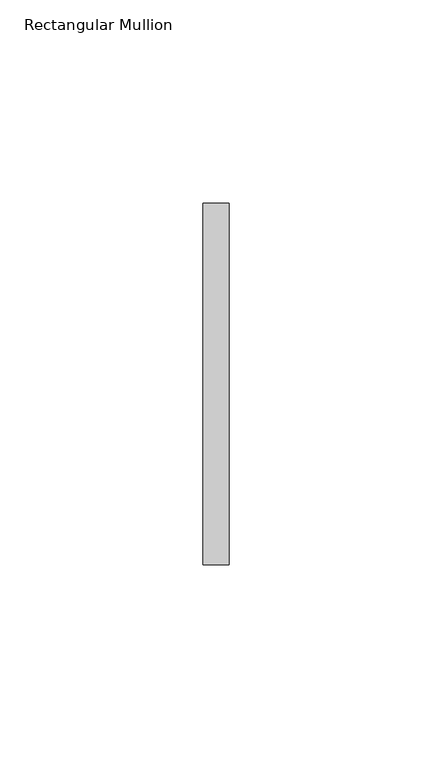
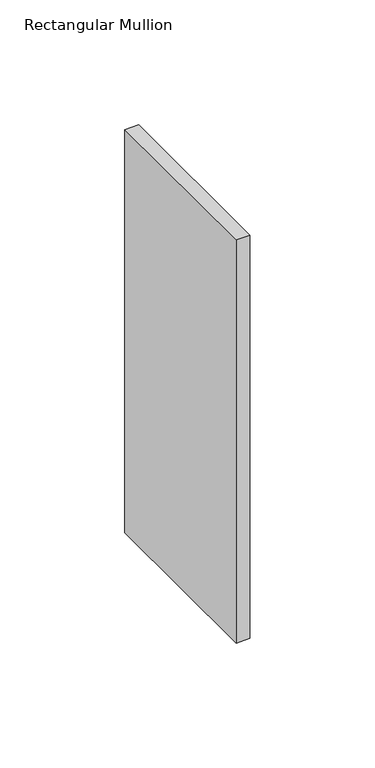
"""IFC4 building model written with IfcOpenShell, lengths in millimetres: member geometry, Rectangular Mullion."""

from ifc_helpers import new_model, si_unit, frame, origin, place, context, project, spatial, polyline, outline, extrude, source, transform, mapped, element, save


def rectangular_mullion_ca19b0ff(model_context):
    return source(origin(), model_context, "Body", "SweptSolid", [
        extrude(outline(polyline([(0.0, 44.45), (0.0, -44.45), (-6.35, -44.45), (-6.35, 44.45), (0.0, 44.45)])), frame((0.0, 0.0, -196.8499997), z_axis=(0.0, 0.0, 1.0), x_axis=(1.0, 0.0, 0.0)), (0.0, 0.0, 1.0), 196.8499997),
    ])


if __name__ == "__main__":
    model = new_model("IFC4")
    model_context = context("Model", 3, world=origin())
    ifc_project = project(units=[si_unit("LENGTHUNIT", "METRE", prefix="MILLI")], contexts=[model_context])
    site = spatial("IfcSite", under=ifc_project)
    building = spatial("IfcBuilding", under=site)
    placement = place(None, origin())
    rectangular_mullion_shape = rectangular_mullion_ca19b0ff(model_context)
    element("IfcMember", 1, ObjectType="Rectangular Mullion", at=placement, inside=building, context=model_context, shape_type="MappedRepresentation", body=[
        mapped(rectangular_mullion_shape, transform((0.0, 0.0, 0.0), x_axis=(1.0, 0.0, 0.0), y_axis=(0.0, 1.0, 0.0), z_axis=(0.0, 0.0, 1.0))),
    ])
    save(model, "model.ifc")
